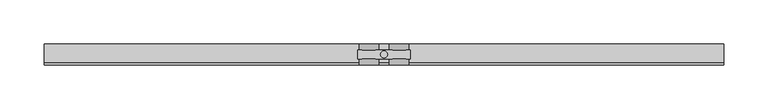
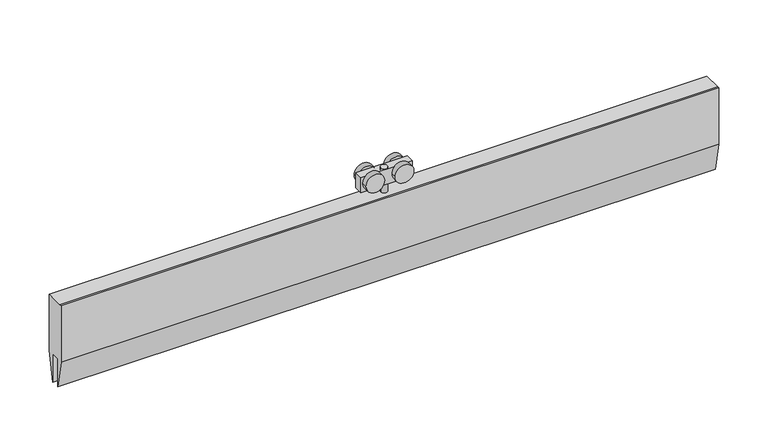
"""IFC4 building model written with IfcOpenShell, lengths in millimetres: proxy geometry."""

from ifc_helpers import new_model, si_unit, point, frame, frame_2d, origin, origin_2d, place, context, project, spatial, polyline, circle_curve, trimmed, segment, composite_curve, outline, extrude, source, transform, mapped, element, save


def specialty_equipment_992dc525(model_context):
    return source(origin(), model_context, "Body", "SweptSolid", [
        extrude(outline(polyline([(12.0, 49.0), (12.0, -21.0), (5.0, -56.0), (5.0, -21.0), (-5.0, -21.0), (-5.0, -56.0), (-12.0, -21.0), (-12.0, 49.0), (-9.692747, 49.0), (12.0, 49.0)])), frame((-385.7777778, 0.0, 0.0), z_axis=(1.0, 0.0, 0.0), x_axis=(0.0, 1.0, 0.0)), (0.0, 0.0, 1.0), 771.5555556),
        extrude(outline(composite_curve([segment(trimmed(circle_curve(origin_2d(), 4.0), [point((-4.0, 0.0))], [point((4.0, 0.0))], False, "CARTESIAN"), True, "CONTINUOUS"), segment(trimmed(circle_curve(origin_2d(), 4.0), [point((4.0, 0.0))], [point((-4.0, 0.0))], False, "CARTESIAN"), True, "CONTINUOUS")], self_intersect=False)), frame((0.0, 0.0, 49.0), z_axis=(0.0, 0.0, 1.0), x_axis=(1.0, 0.0, 0.0)), (0.0, 0.0, 1.0), 30.0),
        extrude(outline(polyline([(30.0, 5.0), (30.0, -5.0), (-30.0, -5.0), (-30.0, 5.0), (30.0, 5.0)])), frame((0.0, 0.0, 60.4593609), z_axis=(0.0, 0.0, 1.0), x_axis=(1.0, 0.0, 0.0)), (0.0, 0.0, 1.0), 18.5406391),
        extrude(outline(composite_curve([segment(trimmed(circle_curve(frame_2d((71.5071727, 17.1562807)), 11.0), [point((71.5071727, 6.1562807))], [point((71.5071727, 28.1562807))], False, "CARTESIAN"), True, "CONTINUOUS"), segment(trimmed(circle_curve(frame_2d((71.5071727, 17.1562807)), 11.0), [point((71.5071727, 28.1562807))], [point((71.5071727, 6.1562807))], False, "CARTESIAN"), True, "CONTINUOUS")], self_intersect=False)), frame((0.0, -12.0, 0.0), z_axis=(0.0, 1.0, 0.0), x_axis=(0.0, 0.0, 1.0)), (0.0, 0.0, 1.0), 7.0),
        extrude(outline(composite_curve([segment(trimmed(circle_curve(frame_2d((71.5, 17.1562807)), 11.0), [point((71.5, 6.1562807))], [point((71.5, 28.1562807))], False, "CARTESIAN"), True, "CONTINUOUS"), segment(trimmed(circle_curve(frame_2d((71.5, 17.1562807)), 11.0), [point((71.5, 28.1562807))], [point((71.5, 6.1562807))], False, "CARTESIAN"), True, "CONTINUOUS")], self_intersect=False)), frame((0.0, 5.0, 0.0), z_axis=(0.0, 1.0, 0.0), x_axis=(0.0, 0.0, 1.0)), (0.0, 0.0, 1.0), 7.0),
        extrude(outline(composite_curve([segment(trimmed(circle_curve(frame_2d((71.5071727, -17.2187193)), 11.0), [point((71.5071727, -28.2187193))], [point((71.5071727, -6.2187193))], False, "CARTESIAN"), True, "CONTINUOUS"), segment(trimmed(circle_curve(frame_2d((71.5071727, -17.2187193)), 11.0), [point((71.5071727, -6.2187193))], [point((71.5071727, -28.2187193))], False, "CARTESIAN"), True, "CONTINUOUS")], self_intersect=False)), frame((0.0, -12.0, 0.0), z_axis=(0.0, 1.0, 0.0), x_axis=(0.0, 0.0, 1.0)), (0.0, 0.0, 1.0), 7.0),
        extrude(outline(composite_curve([segment(trimmed(circle_curve(frame_2d((71.5, -17.2187193)), 11.0), [point((71.5, -28.2187193))], [point((71.5, -6.2187193))], False, "CARTESIAN"), True, "CONTINUOUS"), segment(trimmed(circle_curve(frame_2d((71.5, -17.2187193)), 11.0), [point((71.5, -6.2187193))], [point((71.5, -28.2187193))], False, "CARTESIAN"), True, "CONTINUOUS")], self_intersect=False)), frame((0.0, 5.0, 0.0), z_axis=(0.0, 1.0, 0.0), x_axis=(0.0, 0.0, 1.0)), (0.0, 0.0, 1.0), 7.0),
    ])


if __name__ == "__main__":
    model = new_model("IFC4")
    model_context = context("Model", 3, world=origin())
    ifc_project = project(units=[si_unit("LENGTHUNIT", "METRE", prefix="MILLI")], contexts=[model_context])
    site = spatial("IfcSite", under=ifc_project)
    building = spatial("IfcBuilding", under=site)
    placement = place(None, origin())
    specialty_equipment_shape = specialty_equipment_992dc525(model_context)
    element("IfcBuildingElementProxy", 1, Name="Specialty Equipment", at=placement, inside=building, context=model_context, shape_type="MappedRepresentation", body=[
        mapped(specialty_equipment_shape, transform((0.0, 0.0, 0.0), x_axis=(1.0, 0.0, 0.0), y_axis=(0.0, 1.0, 0.0), z_axis=(0.0, 0.0, 1.0))),
    ])
    save(model, "model.ifc")
